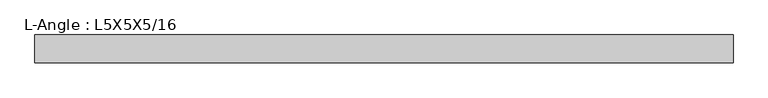
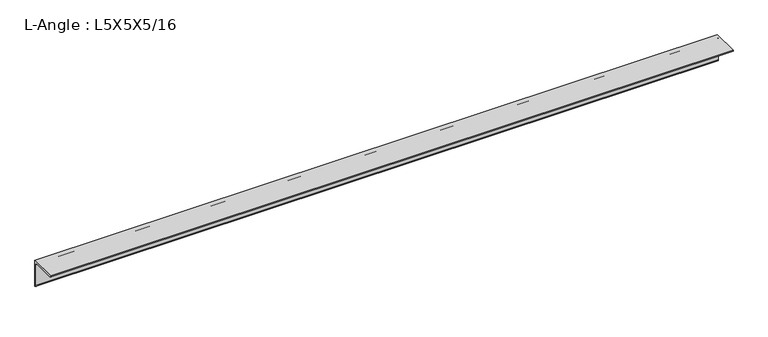
"""IFC4 building model written with IfcOpenShell, lengths in millimetres: beam geometry, L-Angle : L5X5X5/16."""

from ifc_helpers import new_model, si_unit, point, frame, frame_2d, origin, place, context, project, spatial, polyline, circle_curve, trimmed, segment, composite_curve, outline, extrude, source, transform, mapped, element, save


def l_angle_l5x5x5_16_fc95cc70(model_context):
    return source(origin(), model_context, "Body", "SweptSolid", [
        extrude(outline(composite_curve([segment(polyline([(34.3296875, 34.3296875), (34.3296875, -92.6703125)]), True, "CONTINUOUS"), segment(trimmed(circle_curve(frame_2d((34.3296875, -84.7328125)), 7.9375), [point((34.3296875, -92.6703125))], [point((26.3921875, -84.7328125))], False, "CARTESIAN"), True, "CONTINUOUS"), segment(polyline([(26.3921875, -84.7328125), (26.3921875, 18.4546875)]), True, "CONTINUOUS"), segment(trimmed(circle_curve(frame_2d((18.4546875, 18.4546875)), 7.9375), [point((26.3921875, 18.4546875))], [point((18.4546875, 26.3921875))], True, "CARTESIAN"), True, "CONTINUOUS"), segment(polyline([(18.4546875, 26.3921875), (-84.7328125, 26.3921875)]), True, "CONTINUOUS"), segment(trimmed(circle_curve(frame_2d((-84.7328125, 34.3296875)), 7.9375), [point((-84.7328125, 26.3921875))], [point((-92.6703125, 34.3296875))], False, "CARTESIAN"), True, "CONTINUOUS"), segment(polyline([(-92.6703125, 34.3296875), (34.3296875, 34.3296875)]), True, "CONTINUOUS")], self_intersect=False)), frame((-1600.2, 0.0, 0.0), z_axis=(1.0, 0.0, 0.0), x_axis=(0.0, 1.0, 0.0)), (0.0, 0.0, 1.0), 3194.05),
    ])


if __name__ == "__main__":
    model = new_model("IFC4")
    model_context = context("Model", 3, world=origin())
    ifc_project = project(units=[si_unit("LENGTHUNIT", "METRE", prefix="MILLI")], contexts=[model_context])
    site = spatial("IfcSite", under=ifc_project)
    building = spatial("IfcBuilding", under=site)
    placement = place(None, origin())
    l_angle_l5x5x5_16_shape = l_angle_l5x5x5_16_fc95cc70(model_context)
    element("IfcBeam", 1, ObjectType="L-Angle : L5X5X5/16", at=placement, inside=building, context=model_context, shape_type="MappedRepresentation", body=[
        mapped(l_angle_l5x5x5_16_shape, transform((0.0, 0.0, 0.0), x_axis=(1.0, 0.0, 0.0), y_axis=(0.0, 1.0, 0.0), z_axis=(0.0, 0.0, 1.0))),
    ])
    save(model, "model.ifc")
